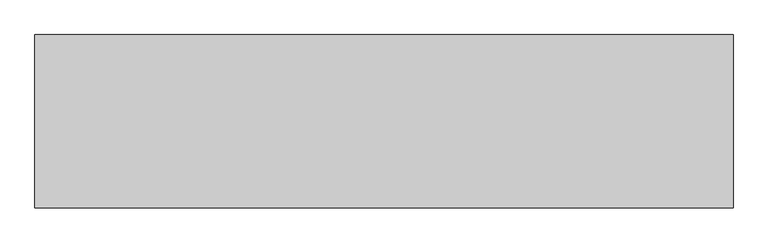
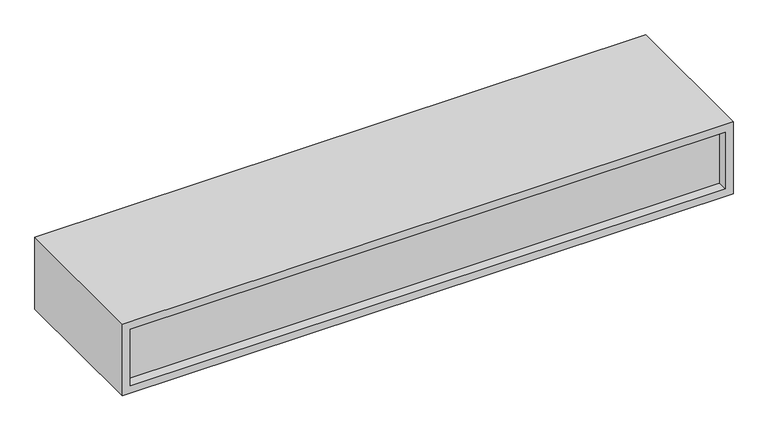
"""IFC4 building model written with IfcOpenShell, lengths in millimetres: furniture geometry."""

from ifc_helpers import new_model, si_unit, origin, place, context, project, spatial, faceted_brep, source, transform, mapped, element, save


def furniture_791fa3ba(model_context):
    return source(origin(), model_context, "Body", "Brep", [
        faceted_brep([(20.1673737, -32.7150845, 1115.6696643), (1502.8166263, -32.7150845, 1115.6696643), (1502.8166263, -32.7150845, 1264.8184093), (20.1673737, -32.7150845, 1264.8184093), (751.4084682, 320.802, 1115.6696643), (751.4084682, -12.5477108, 1115.6696643), (751.4084682, -12.5477108, 1264.8184093), (751.4084682, 320.802, 1264.8184093), (0.0, 320.802, 1095.502), (0.0, 320.802, 1115.6696643), (0.0, 320.802, 1264.8184093), (0.0, 320.802, 1284.9860736), (1522.984, 320.802, 1284.9860736), (1522.984, 320.802, 1264.8184093), (1522.984, 320.802, 1115.6696643), (1522.984, 320.802, 1095.502), (20.1673737, 320.802, 1264.8184093), (20.1673737, 320.802, 1115.6696643), (771.5755318, 320.802, 1115.6696643), (1502.8166263, 320.802, 1115.6696643), (1502.8166263, 320.802, 1264.8184093), (771.5755318, 320.802, 1264.8184093), (771.5755318, -12.5477108, 1264.8184093), (771.5755318, -12.5477108, 1115.6696643), (1502.8166263, -12.5477108, 1115.6696643), (1502.8166263, -57.15, 1115.6696643), (20.1673737, -57.15, 1115.6696643), (20.1673737, -12.5477108, 1115.6696643), (1522.984, -57.15, 1095.502), (0.0, -57.15, 1095.502), (1522.984, -57.15, 1284.9860736), (0.0, -57.15, 1284.9860736), (20.1673737, -57.15, 1264.8184093), (1502.8166263, -57.15, 1264.8184093), (20.1673737, -12.5477108, 1264.8184093), (1502.8166263, -12.5477108, 1264.8184093)], [[[0, 1, 2, 3]], [[4, 5, 6, 7]], [[8, 9, 10, 11, 12, 13, 14, 15], [7, 16, 17, 4], [18, 19, 20, 21]], [[21, 22, 23, 18]], [[18, 23, 24, 19]], [[25, 1, 0, 26]], [[17, 27, 5, 4]], [[8, 15, 28, 29]], [[29, 28, 30, 31], [26, 32, 33, 25]], [[31, 30, 12, 11]], [[11, 10, 9, 8, 29, 31]], [[26, 0, 3, 32]], [[16, 34, 27, 17]], [[30, 28, 15, 14, 13, 12]], [[19, 24, 35, 20]], [[33, 2, 1, 25]], [[7, 6, 34, 16]], [[32, 3, 2, 33]], [[20, 35, 22, 21]], [[5, 27, 34, 6]], [[22, 35, 24, 23]]]),
    ])


if __name__ == "__main__":
    model = new_model("IFC4")
    model_context = context("Model", 3, world=origin())
    ifc_project = project(units=[si_unit("LENGTHUNIT", "METRE", prefix="MILLI")], contexts=[model_context])
    site = spatial("IfcSite", under=ifc_project)
    building = spatial("IfcBuilding", under=site)
    placement = place(None, origin())
    furniture_shape = furniture_791fa3ba(model_context)
    element("IfcFurniture", 1, at=placement, inside=building, context=model_context, shape_type="MappedRepresentation", body=[
        mapped(furniture_shape, transform((0.0, 0.0, 0.0), x_axis=(1.0, 0.0, 0.0), y_axis=(0.0, 1.0, 0.0), z_axis=(0.0, 0.0, 1.0))),
    ])
    save(model, "model.ifc")
